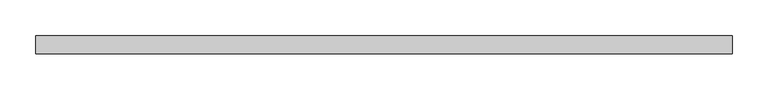
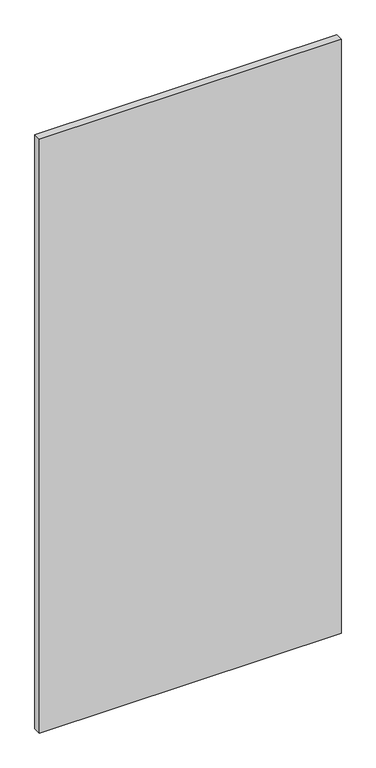
"""IFC4 building model written with IfcOpenShell, lengths in millimetres: plate geometry."""

from ifc_helpers import new_model, si_unit, origin, origin_with_axes, place, context, project, spatial, polyline, outline, extrude, source, transform, mapped, element, save


def plate_09a87a76(model_context):
    return source(origin(), model_context, "Body", "SweptSolid", [
        extrude(outline(polyline([(486.5669052, 24.5), (-486.5669052, 24.5), (-486.5669052, 49.5), (486.5669052, 49.5), (486.5669052, 24.5)])), origin_with_axes(), (0.0, 0.0, 1.0), 2025.0),
    ])


if __name__ == "__main__":
    model = new_model("IFC4")
    model_context = context("Model", 3, world=origin())
    ifc_project = project(units=[si_unit("LENGTHUNIT", "METRE", prefix="MILLI")], contexts=[model_context])
    site = spatial("IfcSite", under=ifc_project)
    building = spatial("IfcBuilding", under=site)
    placement = place(None, origin())
    plate_shape = plate_09a87a76(model_context)
    element("IfcPlate", 1, at=placement, inside=building, context=model_context, shape_type="MappedRepresentation", body=[
        mapped(plate_shape, transform((0.0, 0.0, 0.0), x_axis=(1.0, 0.0, 0.0), y_axis=(0.0, 1.0, 0.0), z_axis=(0.0, 0.0, 1.0))),
    ])
    save(model, "model.ifc")
